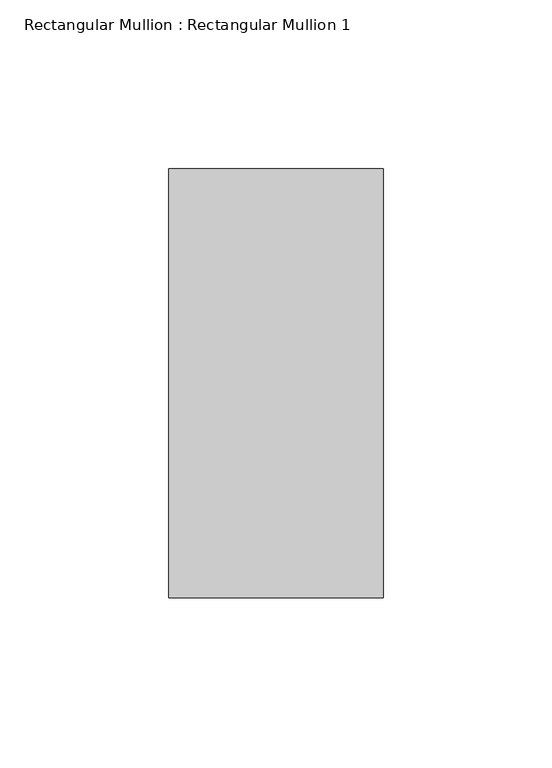
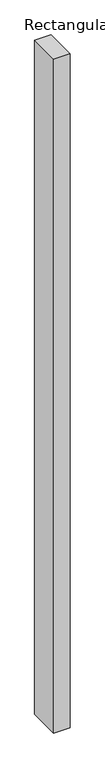
"""IFC4 building model written with IfcOpenShell, lengths in millimetres: member geometry, Rectangular Mullion : Rectangular Mullion 1."""

from ifc_helpers import new_model, si_unit, frame, origin, place, context, project, spatial, polyline, outline, extrude, source, transform, mapped, element, save


def rectangular_mullion_rectangular_mullion_1_923d5781(model_context):
    return source(origin(), model_context, "Body", "SweptSolid", [
        extrude(outline(polyline([(31.75, 63.5), (31.75, -63.5), (-31.75, -63.5), (-31.75, 63.5), (31.75, 63.5)])), frame((0.0, 0.0, -2743.2), z_axis=(0.0, 0.0, 1.0), x_axis=(1.0, 0.0, 0.0)), (0.0, 0.0, 1.0), 2743.2),
    ])


if __name__ == "__main__":
    model = new_model("IFC4")
    model_context = context("Model", 3, world=origin())
    ifc_project = project(units=[si_unit("LENGTHUNIT", "METRE", prefix="MILLI")], contexts=[model_context])
    site = spatial("IfcSite", under=ifc_project)
    building = spatial("IfcBuilding", under=site)
    placement = place(None, origin())
    rectangular_mullion_rectangular_mullion_1_shape = rectangular_mullion_rectangular_mullion_1_923d5781(model_context)
    element("IfcMember", 1, ObjectType="Rectangular Mullion : Rectangular Mullion 1", at=placement, inside=building, context=model_context, shape_type="MappedRepresentation", body=[
        mapped(rectangular_mullion_rectangular_mullion_1_shape, transform((0.0, 0.0, 0.0), x_axis=(1.0, 0.0, 0.0), y_axis=(0.0, 1.0, 0.0), z_axis=(0.0, 0.0, 1.0))),
    ])
    save(model, "model.ifc")
